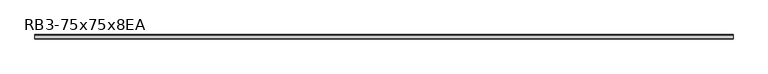
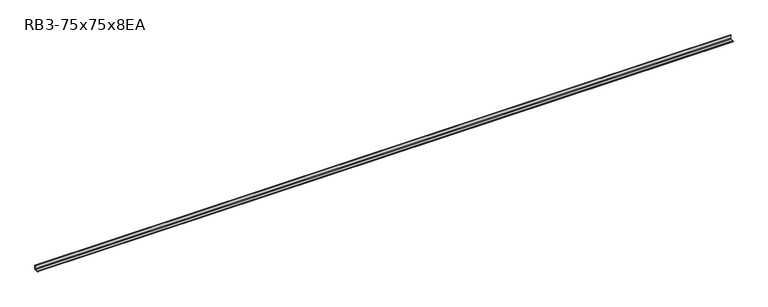
"""IFC4 building model written with IfcOpenShell, lengths in millimetres: member geometry, RB3-75x75x8EA."""

from ifc_helpers import new_model, si_unit, point, frame, frame_2d, origin, place, context, project, spatial, polyline, circle_curve, trimmed, segment, composite_curve, outline, extrude, source, transform, mapped, element, save


def rb3_75x75x8ea_4039169f(model_context):
    return source(origin(), model_context, "Body", "SweptSolid", [
        extrude(outline(composite_curve([segment(polyline([(21.3, -21.3), (-53.7, -21.3), (-53.7, -18.3)]), True, "CONTINUOUS"), segment(trimmed(circle_curve(frame_2d((-48.7, -18.3)), 5.0), [point((-53.7, -18.3))], [point((-48.7, -13.3))], False, "CARTESIAN"), True, "CONTINUOUS"), segment(polyline([(-48.7, -13.3), (5.3, -13.3)]), True, "CONTINUOUS"), segment(trimmed(circle_curve(frame_2d((5.3, -5.3)), 8.0), [point((5.3, -13.3))], [point((13.3, -5.3))], True, "CARTESIAN"), True, "CONTINUOUS"), segment(polyline([(13.3, -5.3), (13.3, 48.7)]), True, "CONTINUOUS"), segment(trimmed(circle_curve(frame_2d((18.3, 48.7)), 5.0), [point((13.3, 48.7))], [point((18.3, 53.7))], False, "CARTESIAN"), True, "CONTINUOUS"), segment(polyline([(18.3, 53.7), (21.3, 53.7), (21.3, -21.3)]), True, "CONTINUOUS")], self_intersect=False)), frame((-5874.8926245, 0.0, 0.0), z_axis=(1.0, 0.0, 0.0), x_axis=(0.0, 1.0, 0.0)), (0.0, 0.0, 1.0), 11924.8926245),
    ])


if __name__ == "__main__":
    model = new_model("IFC4")
    model_context = context("Model", 3, world=origin())
    ifc_project = project(units=[si_unit("LENGTHUNIT", "METRE", prefix="MILLI")], contexts=[model_context])
    site = spatial("IfcSite", under=ifc_project)
    building = spatial("IfcBuilding", under=site)
    placement = place(None, origin())
    rb3_75x75x8ea_shape = rb3_75x75x8ea_4039169f(model_context)
    element("IfcMember", 1, ObjectType="RB3-75x75x8EA", at=placement, inside=building, context=model_context, shape_type="MappedRepresentation", body=[
        mapped(rb3_75x75x8ea_shape, transform((0.0, 0.0, 0.0), x_axis=(1.0, 0.0, 0.0), y_axis=(0.0, 1.0, 0.0), z_axis=(0.0, 0.0, 1.0))),
    ])
    save(model, "model.ifc")
